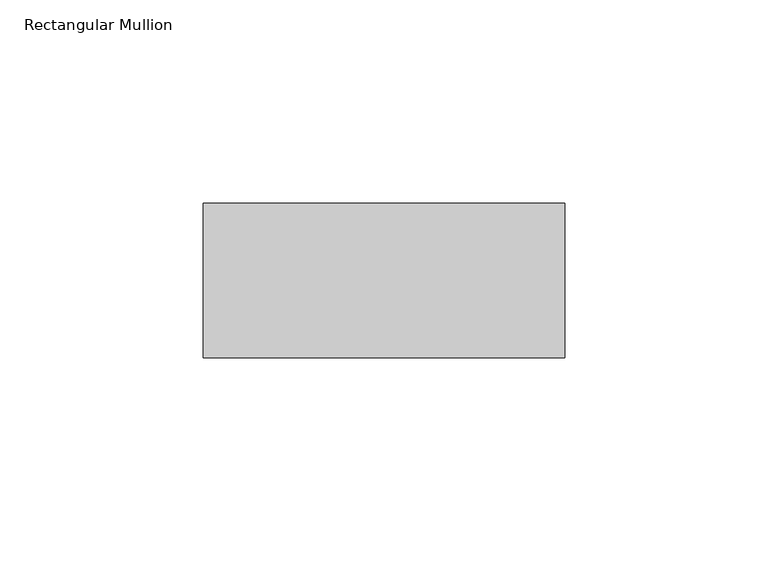
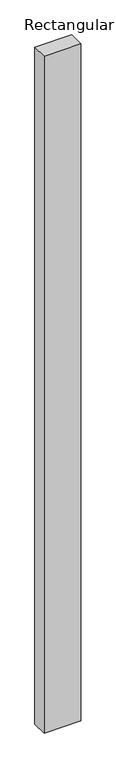
"""IFC4 building model written with IfcOpenShell, lengths in millimetres: member geometry, Rectangular Mullion."""

from ifc_helpers import new_model, si_unit, frame, origin, place, context, project, spatial, polyline, outline, extrude, source, transform, mapped, element, save


def rectangular_mullion_16dd38dc(model_context):
    return source(origin(), model_context, "Body", "SweptSolid", [
        extrude(outline(polyline([(44.5, -20.0), (44.5, -58.0), (-44.5, -58.0), (-44.5, -20.0), (44.5, -20.0)])), frame((0.0, 0.0, -1724.0), z_axis=(0.0, 0.0, 1.0), x_axis=(1.0, 0.0, 0.0)), (0.0, 0.0, 1.0), 1724.0),
    ])


if __name__ == "__main__":
    model = new_model("IFC4")
    model_context = context("Model", 3, world=origin())
    ifc_project = project(units=[si_unit("LENGTHUNIT", "METRE", prefix="MILLI")], contexts=[model_context])
    site = spatial("IfcSite", under=ifc_project)
    building = spatial("IfcBuilding", under=site)
    placement = place(None, origin())
    rectangular_mullion_shape = rectangular_mullion_16dd38dc(model_context)
    element("IfcMember", 1, ObjectType="Rectangular Mullion", at=placement, inside=building, context=model_context, shape_type="MappedRepresentation", body=[
        mapped(rectangular_mullion_shape, transform((0.0, 0.0, 0.0), x_axis=(1.0, 0.0, 0.0), y_axis=(0.0, 1.0, 0.0), z_axis=(0.0, 0.0, 1.0))),
    ])
    save(model, "model.ifc")
